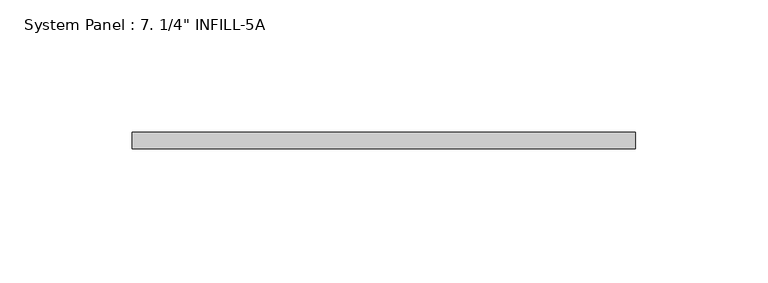
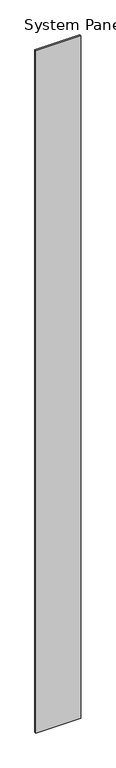
"""IFC4 building model written with IfcOpenShell, lengths in millimetres: plate geometry."""

import ifcopenshell
import ifcopenshell.guid

model = None  # the IFC model being written
_history = None  # IfcOwnerHistory: only IFC2X3 demands one
_inside = {}  # id of a spatial element -> (the spatial element, [elements in it])
_under = {}  # id of a project, library or spatial element -> (it, [spatial elements below it])
_declared = {}  # id of a project -> (the project, [libraries it declares])
_typed = {}  # id of a type object -> (the type object, [elements of that type])
_made_of = {}  # id of a material, layer set ... -> (it, [elements and type objects made of it])


def new_model(schema):
    """Start an empty IFC model of exactly this schema.

    Asked for "IFC4X3", IfcOpenShell would pick the latest addendum, in which some entities
    have other attributes; the version numbers below select the first issue.
    IFC2X3 requires an IfcOwnerHistory on every rooted entity: one is made here for all.
    """
    global model, _history
    if schema == "IFC4X3":
        model = ifcopenshell.file(schema_version=(4, 3, 0, 0))
    else:
        model = ifcopenshell.file(schema=schema)
    _inside.clear()
    _under.clear()
    _declared.clear()
    _typed.clear()
    _made_of.clear()
    _history = None
    if model.schema == "IFC2X3":
        org = make("IfcOrganization", Name="unknown")
        user = make(
            "IfcPersonAndOrganization",
            ThePerson=make("IfcPerson", FamilyName="unknown"),
            TheOrganization=org,
        )
        app = make(
            "IfcApplication",
            ApplicationDeveloper=org,
            Version="unknown",
            ApplicationFullName="unknown",
            ApplicationIdentifier="unknown",
        )
        _history = make(
            "IfcOwnerHistory",
            OwningUser=user,
            OwningApplication=app,
            ChangeAction="ADDED",
            CreationDate=0,
        )
    return model


def make(cls, **values):
    """One entity of the class cls with the attributes given. An attribute that is None is left unset."""
    return model.create_entity(
        cls, **{name: value for name, value in values.items() if value is not None}
    )


def rooted(cls, **values):
    """An entity with a GlobalId (a new one), such as an element, a storey or a relation."""
    return make(cls, GlobalId=ifcopenshell.guid.new(), OwnerHistory=_history, **values)


def si_unit(unit_type, name, prefix=None):
    """IfcSIUnit, for example si_unit("LENGTHUNIT", "METRE", prefix="MILLI")."""
    return make("IfcSIUnit", UnitType=unit_type, Prefix=prefix, Name=name)


def assignment(units):
    """IfcUnitAssignment: the units of a project."""
    return None if units is None else make("IfcUnitAssignment", Units=units)


def point(xyz):
    """IfcCartesianPoint."""
    return None if xyz is None else make("IfcCartesianPoint", Coordinates=xyz)


def direction(xyz):
    """IfcDirection."""
    return None if xyz is None else make("IfcDirection", DirectionRatios=xyz)


def frame(location, z_axis=None, x_axis=None):
    """IfcAxis2Placement3D, a coordinate frame: its origin and axes. An axis left out is left unset."""
    return make(
        "IfcAxis2Placement3D",
        Location=point(location),
        Axis=direction(z_axis),
        RefDirection=direction(x_axis),
    )


def origin():
    """The frame at (0, 0, 0) with its axes left unset."""
    return frame((0.0, 0.0, 0.0))


def origin_with_axes():
    """The frame at (0, 0, 0) with the z axis (0, 0, 1) and the x axis (1, 0, 0) written out."""
    return frame((0.0, 0.0, 0.0), z_axis=(0.0, 0.0, 1.0), x_axis=(1.0, 0.0, 0.0))


def place(relative_to, where):
    """IfcLocalPlacement: puts the frame where relative to a parent placement (None: the world)."""
    return make(
        "IfcLocalPlacement", PlacementRelTo=relative_to, RelativePlacement=where
    )


def context(
    kind, dimensions, precision=None, world=None, true_north=None, identifier=None
):
    """IfcGeometricRepresentationContext, for example the 3D "Model" context."""
    return make(
        "IfcGeometricRepresentationContext",
        ContextIdentifier=identifier,
        ContextType=kind,
        CoordinateSpaceDimension=dimensions,
        Precision=precision,
        WorldCoordinateSystem=world,
        TrueNorth=true_north,
    )


def project(units=None, contexts=None):
    """IfcProject with its units and contexts."""
    return rooted(
        "IfcProject",
        Name="project",
        RepresentationContexts=contexts,
        UnitsInContext=assignment(units),
    )


def spatial(cls, under=None, at=None, **own):
    """A site, building, storey or space (cls), placed at a placement, below another one or the project."""
    s = rooted(cls, ObjectPlacement=at, **own)
    if under is not None:
        _under.setdefault(under.id(), (under, []))[1].append(s)
    return s


def polyline(points):
    """IfcPolyline through the points."""
    return make("IfcPolyline", Points=[point(p) for p in points])


def outline(outer, holes=None, kind="AREA"):
    """IfcArbitraryClosedProfileDef: a profile drawn as a closed curve; with holes, ...WithVoids."""
    if holes is None:
        return make("IfcArbitraryClosedProfileDef", ProfileType=kind, OuterCurve=outer)
    return make(
        "IfcArbitraryProfileDefWithVoids",
        ProfileType=kind,
        OuterCurve=outer,
        InnerCurves=holes,
    )


def extrude(swept, where, along, depth):
    """IfcExtrudedAreaSolid: the profile swept, set in the frame where, extruded along a direction by depth."""
    return make(
        "IfcExtrudedAreaSolid",
        SweptArea=swept,
        Position=where,
        ExtrudedDirection=direction(along),
        Depth=depth,
    )


def shape(context_of_items, identifier, shape_type, items):
    """IfcShapeRepresentation: the items that make up one representation, for example the "Body"."""
    return make(
        "IfcShapeRepresentation",
        ContextOfItems=context_of_items,
        RepresentationIdentifier=identifier,
        RepresentationType=shape_type,
        Items=items,
    )


def source(mapping_origin, context_of_items, identifier, shape_type, items):
    """IfcRepresentationMap: a shape defined once, which mapped items show again and again."""
    return make(
        "IfcRepresentationMap",
        MappingOrigin=mapping_origin,
        MappedRepresentation=shape(context_of_items, identifier, shape_type, items),
    )


def transform(
    local_origin,
    x_axis=None,
    y_axis=None,
    z_axis=None,
    scale=None,
    scale2=None,
    scale3=None,
    uniform=True,
):
    """IfcCartesianTransformationOperator3D, or its non-uniform kind. x_axis, y_axis, z_axis: its Axis1, 2, 3."""
    if uniform:
        return make(
            "IfcCartesianTransformationOperator3D",
            Axis1=direction(x_axis),
            Axis2=direction(y_axis),
            LocalOrigin=point(local_origin),
            Scale=scale,
            Axis3=direction(z_axis),
        )
    return make(
        "IfcCartesianTransformationOperator3DnonUniform",
        Axis1=direction(x_axis),
        Axis2=direction(y_axis),
        LocalOrigin=point(local_origin),
        Scale=scale,
        Axis3=direction(z_axis),
        Scale2=scale2,
        Scale3=scale3,
    )


def mapped(mapping_source, mapping_target):
    """IfcMappedItem: shows the shape of a source again, moved by a transform."""
    return make(
        "IfcMappedItem", MappingSource=mapping_source, MappingTarget=mapping_target
    )


def made_of(thing, what):
    """Note that an element or type object is made of a material, layer set ...; save() writes the relation."""
    if what is not None:
        _made_of.setdefault(what.id(), (what, []))[1].append(thing)
    return thing


def element(
    cls,
    number,
    at=None,
    inside=None,
    cuts=None,
    type_object=None,
    material=None,
    context=None,
    identifier="Body",
    shape_type=None,
    held_by="IfcProductDefinitionShape",
    body=None,
    shapes=None,
    **own,
):
    """One element of the class cls, such as IfcWall. Its Tag is "e" and its number.

    at: its placement. inside: the storey or other place that contains it. cuts: it is an
    opening in that element (IfcRelVoidsElement). A single representation is given by context,
    identifier, shape_type and body (its items); several are given by shapes. held_by: the class
    of the entity that holds the representations. save() writes the other relations.
    """
    e = rooted(cls, Tag="e%d" % number, ObjectPlacement=at, **own)
    if body is not None:
        shapes = [shape(context, identifier, shape_type, body)]
    if shapes is not None:
        e.Representation = make(held_by, Representations=shapes)
    if inside is not None:
        _inside.setdefault(inside.id(), (inside, []))[1].append(e)
    if cuts is not None:
        rooted(
            "IfcRelVoidsElement", RelatingBuildingElement=cuts, RelatedOpeningElement=e
        )
    if type_object is not None:
        _typed.setdefault(type_object.id(), (type_object, []))[1].append(e)
    return made_of(e, material)


def aggregate(whole, parts):
    """IfcRelAggregates: a whole, such as a stair, and the parts it consists of."""
    return rooted("IfcRelAggregates", RelatingObject=whole, RelatedObjects=parts)


def save(model, path):
    """Write the relations noted so far, then the file.

    IfcRelAggregates (storeys below a building ...), IfcRelContainedInSpatialStructure (elements
    in a storey), IfcRelDefinesByType, IfcRelAssociatesMaterial and IfcRelDeclares: one each for
    every whole, place, type object, material and project.
    """
    for whole, parts in _under.values():
        aggregate(whole, parts)
    for where, things in _inside.values():
        rooted(
            "IfcRelContainedInSpatialStructure",
            RelatedElements=things,
            RelatingStructure=where,
        )
    for kind, things in _typed.values():
        rooted("IfcRelDefinesByType", RelatedObjects=things, RelatingType=kind)
    for what, things in _made_of.values():
        rooted("IfcRelAssociatesMaterial", RelatedObjects=things, RelatingMaterial=what)
    for by, libraries in _declared.values():
        rooted("IfcRelDeclares", RelatingContext=by, RelatedDefinitions=libraries)
    model.write(path)


def plate_74143dfd(model_context):
    return source(origin(), model_context, "Body", "SweptSolid", [
        extrude(outline(polyline([(95.25, 0.0), (-95.25, 0.0), (-95.25, 6.35), (95.25, 6.35), (95.25, 0.0)])), origin_with_axes(), (0.0, 0.0, 1.0), 3048.0),
    ])


if __name__ == "__main__":
    model = new_model("IFC4")
    model_context = context("Model", 3, world=origin())
    ifc_project = project(units=[si_unit("LENGTHUNIT", "METRE", prefix="MILLI")], contexts=[model_context])
    site = spatial("IfcSite", under=ifc_project)
    building = spatial("IfcBuilding", under=site)
    placement = place(None, origin())
    plate_shape = plate_74143dfd(model_context)
    element("IfcPlate", 1, ObjectType="System Panel : 7. 1/4\" INFILL-5A", at=placement, inside=building, context=model_context, shape_type="MappedRepresentation", body=[
        mapped(plate_shape, transform((0.0, 0.0, 0.0), x_axis=(1.0, 0.0, 0.0), y_axis=(0.0, 1.0, 0.0), z_axis=(0.0, 0.0, 1.0))),
    ])
    save(model, "model.ifc")
